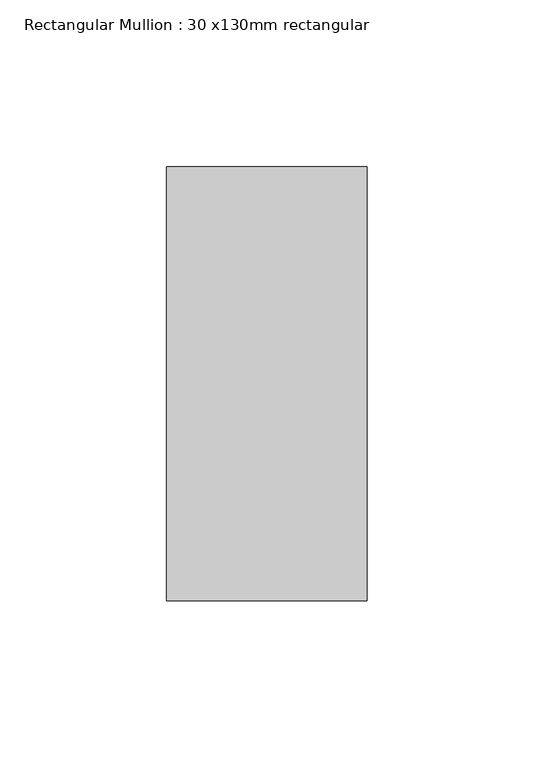
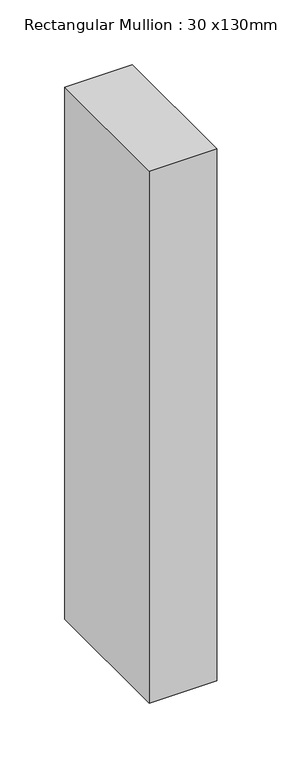
"""IFC4 building model written with IfcOpenShell, lengths in millimetres: member geometry, Rectangular Mullion : 30 x130mm rectangular."""

from ifc_helpers import new_model, si_unit, frame, origin, place, context, project, spatial, polyline, outline, extrude, source, transform, mapped, element, save


def rectangular_mullion_30_x130mm_rectangular_181da3ae(model_context):
    return source(origin(), model_context, "Body", "SweptSolid", [
        extrude(outline(polyline([(30.0, 65.0), (30.0, -65.0), (-30.0, -65.0), (-30.0, 65.0), (30.0, 65.0)])), frame((0.0, 0.0, -500.0), z_axis=(0.0, 0.0, 1.0), x_axis=(1.0, 0.0, 0.0)), (0.0, 0.0, 1.0), 500.0),
    ])


if __name__ == "__main__":
    model = new_model("IFC4")
    model_context = context("Model", 3, world=origin())
    ifc_project = project(units=[si_unit("LENGTHUNIT", "METRE", prefix="MILLI")], contexts=[model_context])
    site = spatial("IfcSite", under=ifc_project)
    building = spatial("IfcBuilding", under=site)
    placement = place(None, origin())
    rectangular_mullion_30_x130mm_rectangular_shape = rectangular_mullion_30_x130mm_rectangular_181da3ae(model_context)
    element("IfcMember", 1, ObjectType="Rectangular Mullion : 30 x130mm rectangular", at=placement, inside=building, context=model_context, shape_type="MappedRepresentation", body=[
        mapped(rectangular_mullion_30_x130mm_rectangular_shape, transform((0.0, 0.0, 0.0), x_axis=(1.0, 0.0, 0.0), y_axis=(0.0, 1.0, 0.0), z_axis=(0.0, 0.0, 1.0))),
    ])
    save(model, "model.ifc")
